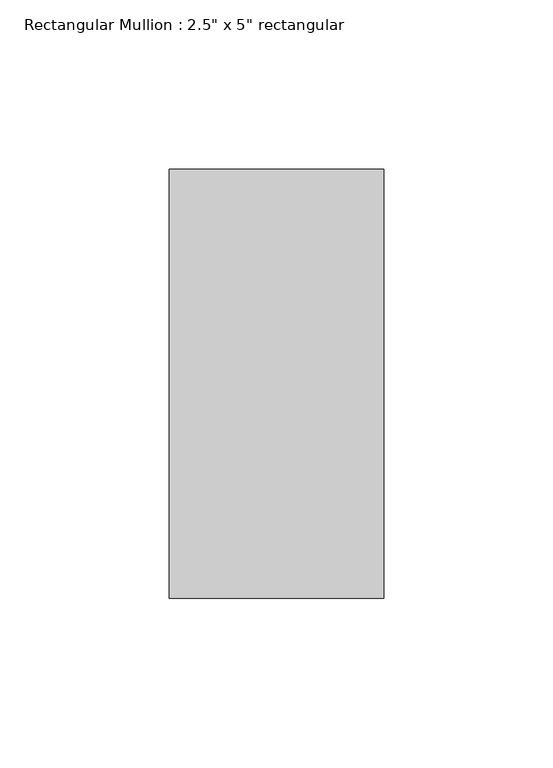
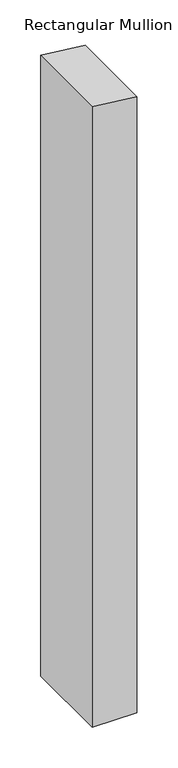
"""IFC4 building model written with IfcOpenShell, lengths in millimetres: member geometry."""

from ifc_helpers import new_model, si_unit, frame, origin, place, context, project, spatial, polyline, outline, extrude, source, transform, mapped, element, save


def member_a3899099(model_context):
    return source(origin(), model_context, "Body", "SweptSolid", [
        extrude(outline(polyline([(0.0, 0.0), (7.1953638, -63.5), (-924.6862673, -63.5), (-924.6862673, 0.0), (0.0, 0.0)])), frame((0.0, -63.5, 0.0), z_axis=(0.0, 1.0, 0.0), x_axis=(0.0, 0.0, 1.0)), (0.0, 0.0, 1.0), 127.0),
    ])


if __name__ == "__main__":
    model = new_model("IFC4")
    model_context = context("Model", 3, world=origin())
    ifc_project = project(units=[si_unit("LENGTHUNIT", "METRE", prefix="MILLI")], contexts=[model_context])
    site = spatial("IfcSite", under=ifc_project)
    building = spatial("IfcBuilding", under=site)
    placement = place(None, origin())
    member_shape = member_a3899099(model_context)
    element("IfcMember", 1, ObjectType="Rectangular Mullion : 2.5\" x 5\" rectangular", at=placement, inside=building, context=model_context, shape_type="MappedRepresentation", body=[
        mapped(member_shape, transform((0.0, 0.0, 0.0), x_axis=(1.0, 0.0, 0.0), y_axis=(0.0, 1.0, 0.0), z_axis=(0.0, 0.0, 1.0))),
    ])
    save(model, "model.ifc")
